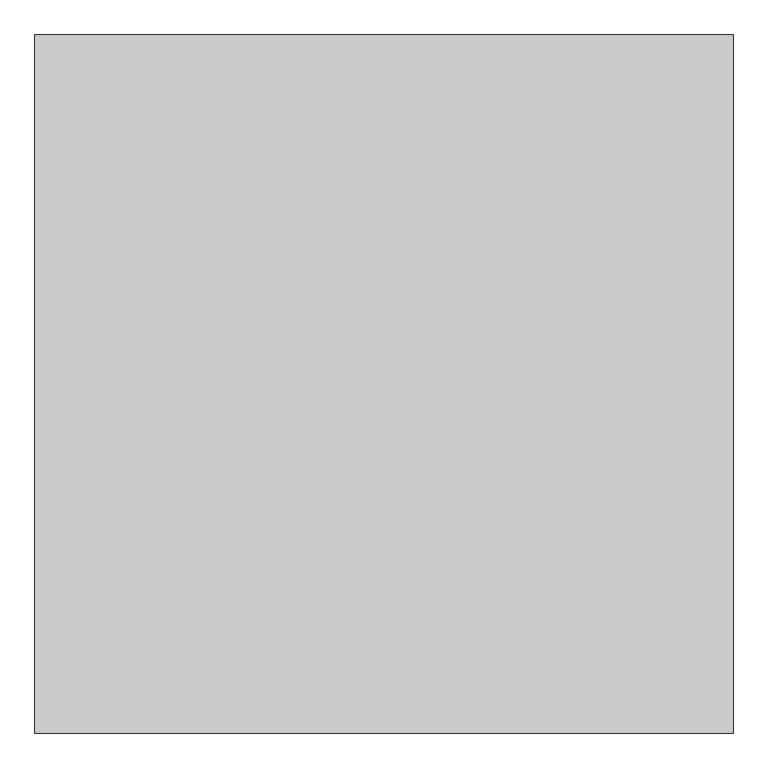
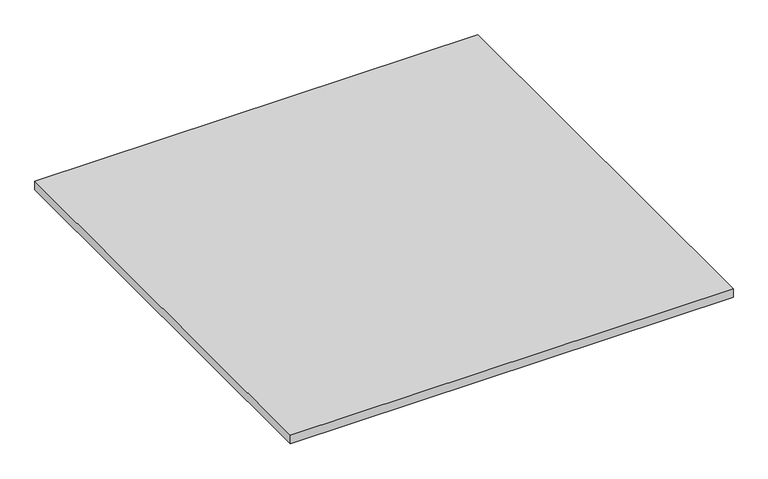
"""IFC4 building model written with IfcOpenShell, lengths in millimetres: proxy geometry."""

import ifcopenshell
import ifcopenshell.guid

model = None  # the IFC model being written
_history = None  # IfcOwnerHistory: only IFC2X3 demands one
_inside = {}  # id of a spatial element -> (the spatial element, [elements in it])
_under = {}  # id of a project, library or spatial element -> (it, [spatial elements below it])
_declared = {}  # id of a project -> (the project, [libraries it declares])
_typed = {}  # id of a type object -> (the type object, [elements of that type])
_made_of = {}  # id of a material, layer set ... -> (it, [elements and type objects made of it])


def new_model(schema):
    """Start an empty IFC model of exactly this schema.

    Asked for "IFC4X3", IfcOpenShell would pick the latest addendum, in which some entities
    have other attributes; the version numbers below select the first issue.
    IFC2X3 requires an IfcOwnerHistory on every rooted entity: one is made here for all.
    """
    global model, _history
    if schema == "IFC4X3":
        model = ifcopenshell.file(schema_version=(4, 3, 0, 0))
    else:
        model = ifcopenshell.file(schema=schema)
    _inside.clear()
    _under.clear()
    _declared.clear()
    _typed.clear()
    _made_of.clear()
    _history = None
    if model.schema == "IFC2X3":
        org = make("IfcOrganization", Name="unknown")
        user = make(
            "IfcPersonAndOrganization",
            ThePerson=make("IfcPerson", FamilyName="unknown"),
            TheOrganization=org,
        )
        app = make(
            "IfcApplication",
            ApplicationDeveloper=org,
            Version="unknown",
            ApplicationFullName="unknown",
            ApplicationIdentifier="unknown",
        )
        _history = make(
            "IfcOwnerHistory",
            OwningUser=user,
            OwningApplication=app,
            ChangeAction="ADDED",
            CreationDate=0,
        )
    return model


def make(cls, **values):
    """One entity of the class cls with the attributes given. An attribute that is None is left unset."""
    return model.create_entity(
        cls, **{name: value for name, value in values.items() if value is not None}
    )


def rooted(cls, **values):
    """An entity with a GlobalId (a new one), such as an element, a storey or a relation."""
    return make(cls, GlobalId=ifcopenshell.guid.new(), OwnerHistory=_history, **values)


def si_unit(unit_type, name, prefix=None):
    """IfcSIUnit, for example si_unit("LENGTHUNIT", "METRE", prefix="MILLI")."""
    return make("IfcSIUnit", UnitType=unit_type, Prefix=prefix, Name=name)


def assignment(units):
    """IfcUnitAssignment: the units of a project."""
    return None if units is None else make("IfcUnitAssignment", Units=units)


def point(xyz):
    """IfcCartesianPoint."""
    return None if xyz is None else make("IfcCartesianPoint", Coordinates=xyz)


def direction(xyz):
    """IfcDirection."""
    return None if xyz is None else make("IfcDirection", DirectionRatios=xyz)


def frame(location, z_axis=None, x_axis=None):
    """IfcAxis2Placement3D, a coordinate frame: its origin and axes. An axis left out is left unset."""
    return make(
        "IfcAxis2Placement3D",
        Location=point(location),
        Axis=direction(z_axis),
        RefDirection=direction(x_axis),
    )


def origin():
    """The frame at (0, 0, 0) with its axes left unset."""
    return frame((0.0, 0.0, 0.0))


def origin_with_axes():
    """The frame at (0, 0, 0) with the z axis (0, 0, 1) and the x axis (1, 0, 0) written out."""
    return frame((0.0, 0.0, 0.0), z_axis=(0.0, 0.0, 1.0), x_axis=(1.0, 0.0, 0.0))


def place(relative_to, where):
    """IfcLocalPlacement: puts the frame where relative to a parent placement (None: the world)."""
    return make(
        "IfcLocalPlacement", PlacementRelTo=relative_to, RelativePlacement=where
    )


def context(
    kind, dimensions, precision=None, world=None, true_north=None, identifier=None
):
    """IfcGeometricRepresentationContext, for example the 3D "Model" context."""
    return make(
        "IfcGeometricRepresentationContext",
        ContextIdentifier=identifier,
        ContextType=kind,
        CoordinateSpaceDimension=dimensions,
        Precision=precision,
        WorldCoordinateSystem=world,
        TrueNorth=true_north,
    )


def project(units=None, contexts=None):
    """IfcProject with its units and contexts."""
    return rooted(
        "IfcProject",
        Name="project",
        RepresentationContexts=contexts,
        UnitsInContext=assignment(units),
    )


def spatial(cls, under=None, at=None, **own):
    """A site, building, storey or space (cls), placed at a placement, below another one or the project."""
    s = rooted(cls, ObjectPlacement=at, **own)
    if under is not None:
        _under.setdefault(under.id(), (under, []))[1].append(s)
    return s


def polyline(points):
    """IfcPolyline through the points."""
    return make("IfcPolyline", Points=[point(p) for p in points])


def outline(outer, holes=None, kind="AREA"):
    """IfcArbitraryClosedProfileDef: a profile drawn as a closed curve; with holes, ...WithVoids."""
    if holes is None:
        return make("IfcArbitraryClosedProfileDef", ProfileType=kind, OuterCurve=outer)
    return make(
        "IfcArbitraryProfileDefWithVoids",
        ProfileType=kind,
        OuterCurve=outer,
        InnerCurves=holes,
    )


def extrude(swept, where, along, depth):
    """IfcExtrudedAreaSolid: the profile swept, set in the frame where, extruded along a direction by depth."""
    return make(
        "IfcExtrudedAreaSolid",
        SweptArea=swept,
        Position=where,
        ExtrudedDirection=direction(along),
        Depth=depth,
    )


def shape(context_of_items, identifier, shape_type, items):
    """IfcShapeRepresentation: the items that make up one representation, for example the "Body"."""
    return make(
        "IfcShapeRepresentation",
        ContextOfItems=context_of_items,
        RepresentationIdentifier=identifier,
        RepresentationType=shape_type,
        Items=items,
    )


def source(mapping_origin, context_of_items, identifier, shape_type, items):
    """IfcRepresentationMap: a shape defined once, which mapped items show again and again."""
    return make(
        "IfcRepresentationMap",
        MappingOrigin=mapping_origin,
        MappedRepresentation=shape(context_of_items, identifier, shape_type, items),
    )


def transform(
    local_origin,
    x_axis=None,
    y_axis=None,
    z_axis=None,
    scale=None,
    scale2=None,
    scale3=None,
    uniform=True,
):
    """IfcCartesianTransformationOperator3D, or its non-uniform kind. x_axis, y_axis, z_axis: its Axis1, 2, 3."""
    if uniform:
        return make(
            "IfcCartesianTransformationOperator3D",
            Axis1=direction(x_axis),
            Axis2=direction(y_axis),
            LocalOrigin=point(local_origin),
            Scale=scale,
            Axis3=direction(z_axis),
        )
    return make(
        "IfcCartesianTransformationOperator3DnonUniform",
        Axis1=direction(x_axis),
        Axis2=direction(y_axis),
        LocalOrigin=point(local_origin),
        Scale=scale,
        Axis3=direction(z_axis),
        Scale2=scale2,
        Scale3=scale3,
    )


def mapped(mapping_source, mapping_target):
    """IfcMappedItem: shows the shape of a source again, moved by a transform."""
    return make(
        "IfcMappedItem", MappingSource=mapping_source, MappingTarget=mapping_target
    )


def made_of(thing, what):
    """Note that an element or type object is made of a material, layer set ...; save() writes the relation."""
    if what is not None:
        _made_of.setdefault(what.id(), (what, []))[1].append(thing)
    return thing


def element(
    cls,
    number,
    at=None,
    inside=None,
    cuts=None,
    type_object=None,
    material=None,
    context=None,
    identifier="Body",
    shape_type=None,
    held_by="IfcProductDefinitionShape",
    body=None,
    shapes=None,
    **own,
):
    """One element of the class cls, such as IfcWall. Its Tag is "e" and its number.

    at: its placement. inside: the storey or other place that contains it. cuts: it is an
    opening in that element (IfcRelVoidsElement). A single representation is given by context,
    identifier, shape_type and body (its items); several are given by shapes. held_by: the class
    of the entity that holds the representations. save() writes the other relations.
    """
    e = rooted(cls, Tag="e%d" % number, ObjectPlacement=at, **own)
    if body is not None:
        shapes = [shape(context, identifier, shape_type, body)]
    if shapes is not None:
        e.Representation = make(held_by, Representations=shapes)
    if inside is not None:
        _inside.setdefault(inside.id(), (inside, []))[1].append(e)
    if cuts is not None:
        rooted(
            "IfcRelVoidsElement", RelatingBuildingElement=cuts, RelatedOpeningElement=e
        )
    if type_object is not None:
        _typed.setdefault(type_object.id(), (type_object, []))[1].append(e)
    return made_of(e, material)


def aggregate(whole, parts):
    """IfcRelAggregates: a whole, such as a stair, and the parts it consists of."""
    return rooted("IfcRelAggregates", RelatingObject=whole, RelatedObjects=parts)


def save(model, path):
    """Write the relations noted so far, then the file.

    IfcRelAggregates (storeys below a building ...), IfcRelContainedInSpatialStructure (elements
    in a storey), IfcRelDefinesByType, IfcRelAssociatesMaterial and IfcRelDeclares: one each for
    every whole, place, type object, material and project.
    """
    for whole, parts in _under.values():
        aggregate(whole, parts)
    for where, things in _inside.values():
        rooted(
            "IfcRelContainedInSpatialStructure",
            RelatedElements=things,
            RelatingStructure=where,
        )
    for kind, things in _typed.values():
        rooted("IfcRelDefinesByType", RelatedObjects=things, RelatingType=kind)
    for what, things in _made_of.values():
        rooted("IfcRelAssociatesMaterial", RelatedObjects=things, RelatingMaterial=what)
    for by, libraries in _declared.values():
        rooted("IfcRelDeclares", RelatingContext=by, RelatedDefinitions=libraries)
    model.write(path)


def generic_models_fc29ba2f(model_context):
    return source(origin(), model_context, "Body", "SweptSolid", [
        extrude(outline(polyline([(-5784.8983566, -3052.8374841), (-5784.8983566, -4052.8374841), (-6784.8983566, -4052.8374841), (-6784.8983566, -3052.8374841), (-5784.8983566, -3052.8374841)])), origin_with_axes(), (0.0, 0.0, 1.0), 20.0),
    ])


if __name__ == "__main__":
    model = new_model("IFC4")
    model_context = context("Model", 3, world=origin())
    ifc_project = project(units=[si_unit("LENGTHUNIT", "METRE", prefix="MILLI")], contexts=[model_context])
    site = spatial("IfcSite", under=ifc_project)
    building = spatial("IfcBuilding", under=site)
    placement = place(None, origin())
    generic_models_shape = generic_models_fc29ba2f(model_context)
    element("IfcBuildingElementProxy", 1, Name="Generic Models", at=placement, inside=building, context=model_context, shape_type="MappedRepresentation", body=[
        mapped(generic_models_shape, transform((0.0, 0.0, 0.0), x_axis=(1.0, 0.0, 0.0), y_axis=(0.0, 1.0, 0.0), z_axis=(0.0, 0.0, 1.0))),
    ])
    save(model, "model.ifc")
